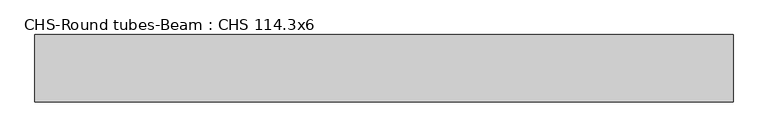
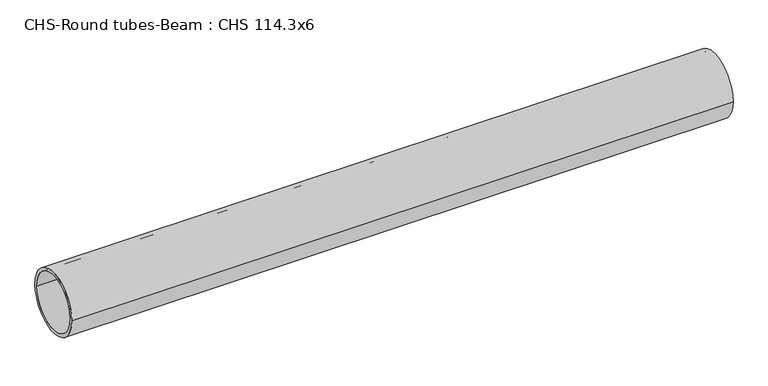
"""IFC4 building model written with IfcOpenShell, lengths in millimetres: beam geometry, CHS-Round tubes-Beam : CHS 114.3x6."""

from ifc_helpers import new_model, si_unit, point, frame, origin, origin_2d, place, context, project, spatial, circle_curve, trimmed, segment, composite_curve, outline, extrude, source, transform, mapped, element, save


def chs_round_tubes_beam_chs_114_3x6_6716ceae(model_context):
    return source(origin(), model_context, "Body", "SweptSolid", [
        extrude(outline(composite_curve([segment(trimmed(circle_curve(origin_2d(), 57.15), [point((57.15, 0.0))], [point((-57.15, 0.0))], False, "CARTESIAN"), True, "CONTINUOUS"), segment(trimmed(circle_curve(origin_2d(), 57.15), [point((-57.15, 0.0))], [point((57.15, 0.0))], False, "CARTESIAN"), True, "CONTINUOUS")], self_intersect=False), holes=[composite_curve([segment(trimmed(circle_curve(origin_2d(), 51.15), [point((51.15, 0.0))], [point((-51.15, 0.0))], True, "CARTESIAN"), True, "CONTINUOUS"), segment(trimmed(circle_curve(origin_2d(), 51.15), [point((-51.15, 0.0))], [point((51.15, 0.0))], True, "CARTESIAN"), True, "CONTINUOUS")], self_intersect=False)]), frame((-483.4564313, 0.0, 0.0), z_axis=(1.0, 0.0, 0.0), x_axis=(0.0, 1.0, 0.0)), (0.0, 0.0, 1.0), 1184.2455444),
    ])


if __name__ == "__main__":
    model = new_model("IFC4")
    model_context = context("Model", 3, world=origin())
    ifc_project = project(units=[si_unit("LENGTHUNIT", "METRE", prefix="MILLI")], contexts=[model_context])
    site = spatial("IfcSite", under=ifc_project)
    building = spatial("IfcBuilding", under=site)
    placement = place(None, origin())
    chs_round_tubes_beam_chs_114_3x6_shape = chs_round_tubes_beam_chs_114_3x6_6716ceae(model_context)
    element("IfcBeam", 1, ObjectType="CHS-Round tubes-Beam : CHS 114.3x6", at=placement, inside=building, context=model_context, shape_type="MappedRepresentation", body=[
        mapped(chs_round_tubes_beam_chs_114_3x6_shape, transform((0.0, 0.0, 0.0), x_axis=(1.0, 0.0, 0.0), y_axis=(0.0, 1.0, 0.0), z_axis=(0.0, 0.0, 1.0))),
    ])
    save(model, "model.ifc")
